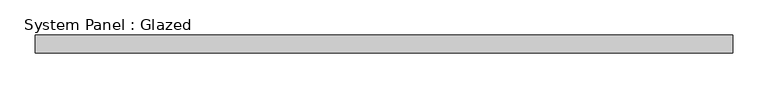
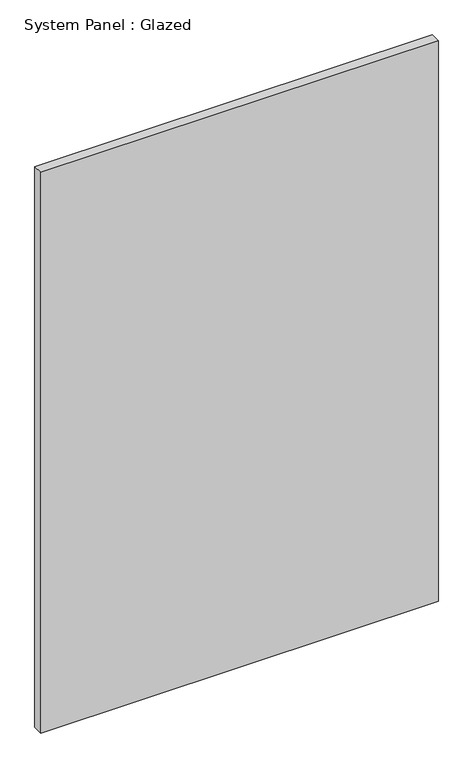
"""IFC4 building model written with IfcOpenShell, lengths in millimetres: plate geometry, System Panel : Glazed."""

from ifc_helpers import new_model, si_unit, origin, origin_with_axes, place, context, project, spatial, polyline, outline, extrude, source, transform, mapped, element, save


def system_panel_glazed_8596a83b(model_context):
    return source(origin(), model_context, "Body", "SweptSolid", [
        extrude(outline(polyline([(492.125, -12.7), (-492.125, -12.7), (-492.125, 12.7), (492.125, 12.7), (492.125, -12.7)])), origin_with_axes(), (0.0, 0.0, 1.0), 1466.85),
    ])


if __name__ == "__main__":
    model = new_model("IFC4")
    model_context = context("Model", 3, world=origin())
    ifc_project = project(units=[si_unit("LENGTHUNIT", "METRE", prefix="MILLI")], contexts=[model_context])
    site = spatial("IfcSite", under=ifc_project)
    building = spatial("IfcBuilding", under=site)
    placement = place(None, origin())
    system_panel_glazed_shape = system_panel_glazed_8596a83b(model_context)
    element("IfcPlate", 1, ObjectType="System Panel : Glazed", at=placement, inside=building, context=model_context, shape_type="MappedRepresentation", body=[
        mapped(system_panel_glazed_shape, transform((0.0, 0.0, 0.0), x_axis=(1.0, 0.0, 0.0), y_axis=(0.0, 1.0, 0.0), z_axis=(0.0, 0.0, 1.0))),
    ])
    save(model, "model.ifc")
